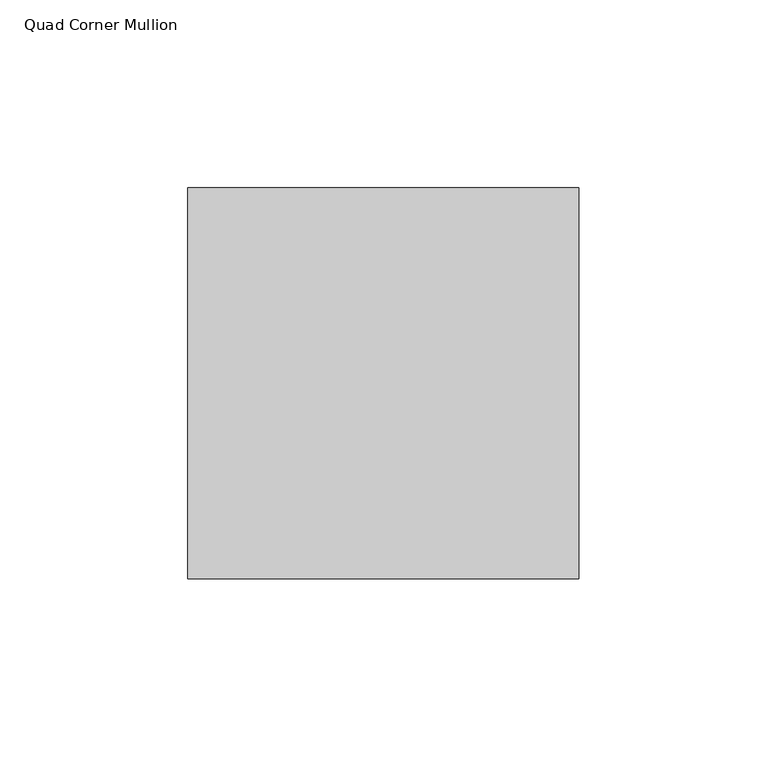
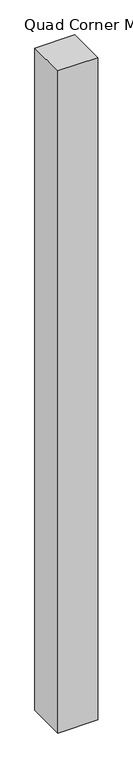
"""IFC4 building model written with IfcOpenShell, lengths in millimetres: member geometry, Quad Corner Mullion."""

from ifc_helpers import new_model, si_unit, frame, origin, place, context, project, spatial, polyline, outline, extrude, source, transform, mapped, element, save


def quad_corner_mullion_ab664839(model_context):
    return source(origin(), model_context, "Body", "SweptSolid", [
        extrude(outline(polyline([(67.5183594, -36.5621094), (-36.5621094, -36.5621094), (-36.5621094, 67.5183594), (67.5183594, 67.5183594), (67.5183594, -36.5621094)])), frame((0.0, 0.0, -1828.8), z_axis=(0.0, 0.0, 1.0), x_axis=(1.0, 0.0, 0.0)), (0.0, 0.0, 1.0), 1828.8),
    ])


if __name__ == "__main__":
    model = new_model("IFC4")
    model_context = context("Model", 3, world=origin())
    ifc_project = project(units=[si_unit("LENGTHUNIT", "METRE", prefix="MILLI")], contexts=[model_context])
    site = spatial("IfcSite", under=ifc_project)
    building = spatial("IfcBuilding", under=site)
    placement = place(None, origin())
    quad_corner_mullion_shape = quad_corner_mullion_ab664839(model_context)
    element("IfcMember", 1, ObjectType="Quad Corner Mullion", at=placement, inside=building, context=model_context, shape_type="MappedRepresentation", body=[
        mapped(quad_corner_mullion_shape, transform((0.0, 0.0, 0.0), x_axis=(1.0, 0.0, 0.0), y_axis=(0.0, 1.0, 0.0), z_axis=(0.0, 0.0, 1.0))),
    ])
    save(model, "model.ifc")
